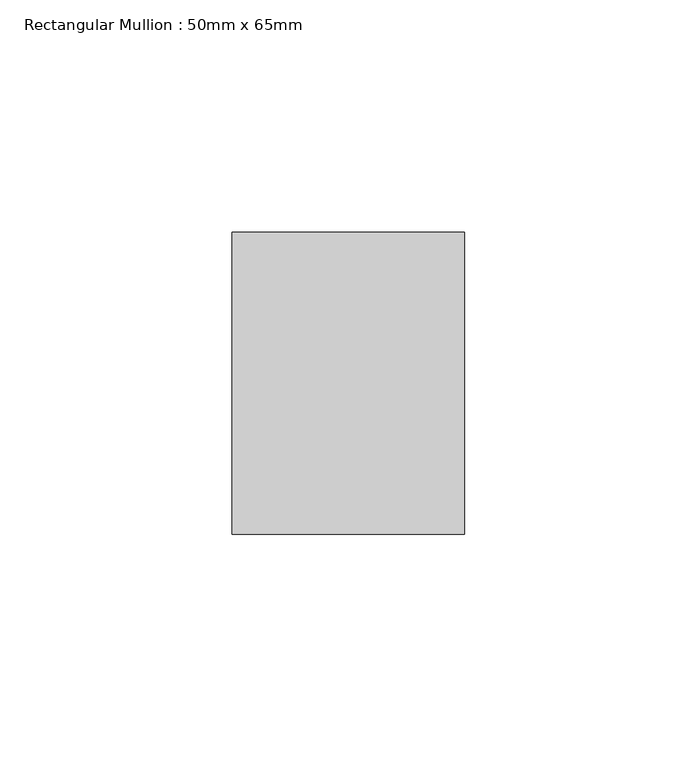
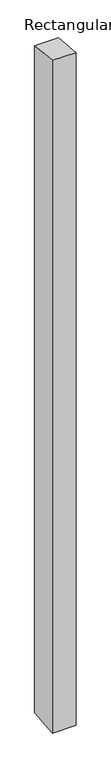
"""IFC4 building model written with IfcOpenShell, lengths in millimetres: member geometry, Rectangular Mullion : 50mm x 65mm."""

from ifc_helpers import new_model, si_unit, origin, place, context, project, spatial, faceted_brep, source, transform, mapped, element, save


def rectangular_mullion_50mm_x_65mm_a3abb617(model_context):
    return source(origin(), model_context, "Body", "Brep", [
        faceted_brep([(-25.0, 32.5, -3.3716845), (25.0, 32.5, -3.3716816), (25.0, 32.5, -1496.8525409), (-25.0, 32.5, -1496.8525382), (-25.0, -32.5, 3.3716816), (-25.0, -32.5, -1503.1464133), (25.0, -32.5, 3.3716845), (25.0, -32.5, -1503.1464161)], [[[0, 1, 2, 3]], [[4, 0, 3, 5]], [[6, 4, 5, 7]], [[1, 6, 7, 2]], [[1, 0, 4, 6]], [[2, 7, 5, 3]]]),
    ])


if __name__ == "__main__":
    model = new_model("IFC4")
    model_context = context("Model", 3, world=origin())
    ifc_project = project(units=[si_unit("LENGTHUNIT", "METRE", prefix="MILLI")], contexts=[model_context])
    site = spatial("IfcSite", under=ifc_project)
    building = spatial("IfcBuilding", under=site)
    placement = place(None, origin())
    rectangular_mullion_50mm_x_65mm_shape = rectangular_mullion_50mm_x_65mm_a3abb617(model_context)
    element("IfcMember", 1, ObjectType="Rectangular Mullion : 50mm x 65mm", at=placement, inside=building, context=model_context, shape_type="MappedRepresentation", body=[
        mapped(rectangular_mullion_50mm_x_65mm_shape, transform((0.0, 0.0, 0.0), x_axis=(1.0, 0.0, 0.0), y_axis=(0.0, 1.0, 0.0), z_axis=(0.0, 0.0, 1.0))),
    ])
    save(model, "model.ifc")
